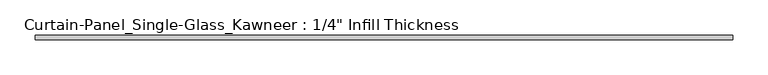
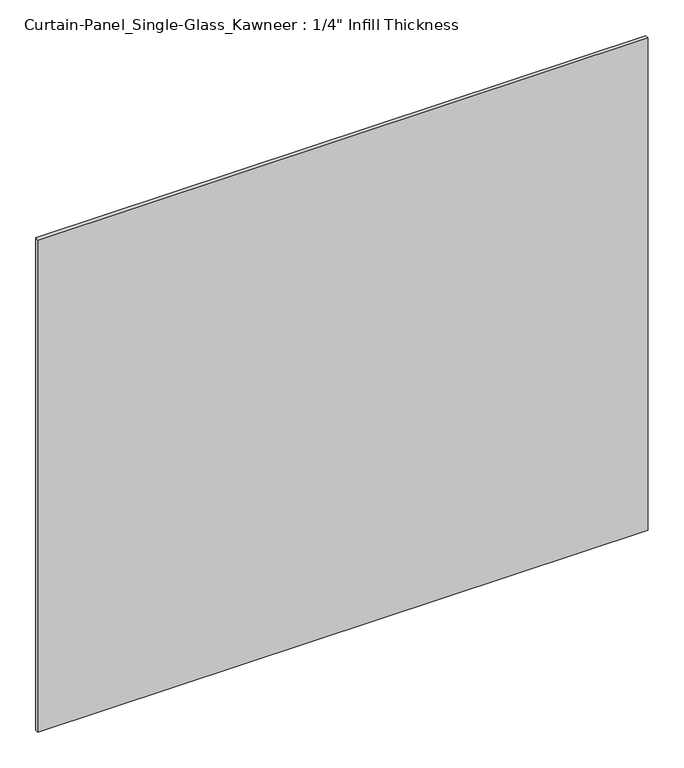
"""IFC4 building model written with IfcOpenShell, lengths in millimetres: plate geometry."""

from ifc_helpers import new_model, si_unit, origin, origin_with_axes, place, context, project, spatial, polyline, outline, extrude, source, transform, mapped, element, save


def plate_971172bd(model_context):
    return source(origin(), model_context, "Body", "SweptSolid", [
        extrude(outline(polyline([(495.3, -3.175), (-495.3, -3.175), (-495.3, 3.175), (495.3, 3.175), (495.3, -3.175)])), origin_with_axes(), (0.0, 0.0, 1.0), 844.55),
    ])


if __name__ == "__main__":
    model = new_model("IFC4")
    model_context = context("Model", 3, world=origin())
    ifc_project = project(units=[si_unit("LENGTHUNIT", "METRE", prefix="MILLI")], contexts=[model_context])
    site = spatial("IfcSite", under=ifc_project)
    building = spatial("IfcBuilding", under=site)
    placement = place(None, origin())
    plate_shape = plate_971172bd(model_context)
    element("IfcPlate", 1, ObjectType="Curtain-Panel_Single-Glass_Kawneer : 1/4\" Infill Thickness", at=placement, inside=building, context=model_context, shape_type="MappedRepresentation", body=[
        mapped(plate_shape, transform((0.0, 0.0, 0.0), x_axis=(1.0, 0.0, 0.0), y_axis=(0.0, 1.0, 0.0), z_axis=(0.0, 0.0, 1.0))),
    ])
    save(model, "model.ifc")
